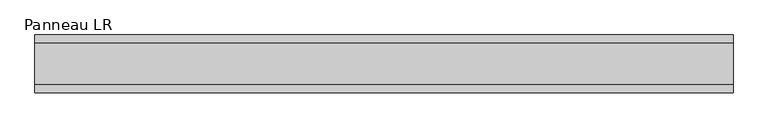
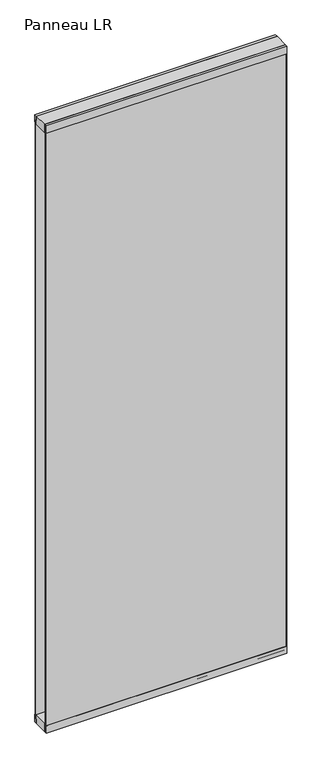
"""IFC4 building model written with IfcOpenShell, lengths in millimetres: plate geometry, Panneau LR."""

from ifc_helpers import new_model, si_unit, frame, origin, origin_with_axes, place, context, project, spatial, polyline, outline, extrude, source, transform, mapped, element, save


def panneau_lr_ae96b0b5(model_context):
    return source(origin(), model_context, "Body", "SweptSolid", [
        extrude(outline(polyline([(33.0, 2910.0), (45.0, 2910.0), (45.0, 2875.0), (43.8, 2875.0), (43.8, 2890.0), (33.0, 2890.0), (33.0, 2910.0)])), frame((-545.3124999, 0.0, 0.0), z_axis=(1.0, 0.0, 0.0), x_axis=(0.0, 1.0, 0.0)), (0.0, 0.0, 1.0), 1090.6249998),
        extrude(outline(polyline([(-45.0, 2875.0), (-45.0, 2910.0), (-33.0, 2910.0), (-33.0, 2890.0), (-43.8, 2890.0), (-43.8, 2875.0), (-45.0, 2875.0)])), frame((-545.3124999, 0.0, 0.0), z_axis=(1.0, 0.0, 0.0), x_axis=(0.0, 1.0, 0.0)), (0.0, 0.0, 1.0), 1090.6249998),
        extrude(outline(polyline([(545.3124999, 43.8), (545.3124999, 37.8), (543.3124999, 37.8), (543.3124999, 43.8), (545.3124999, 43.8)])), frame((0.0, 0.0, 20.0), z_axis=(0.0, 0.0, 1.0), x_axis=(1.0, 0.0, 0.0)), (0.0, 0.0, 1.0), 2870.0),
        extrude(outline(polyline([(545.3124999, -37.8), (545.3124999, -43.8), (543.3124999, -43.8), (543.3124999, -37.8), (545.3124999, -37.8)])), frame((0.0, 0.0, 20.0), z_axis=(0.0, 0.0, 1.0), x_axis=(1.0, 0.0, 0.0)), (0.0, 0.0, 1.0), 2870.0),
        extrude(outline(polyline([(33.0, 0.0), (33.0, 20.0), (43.8, 20.0), (43.8, 35.0), (45.0, 35.0), (45.0, 0.0), (33.0, 0.0)])), frame((-545.3124999, 0.0, 0.0), z_axis=(1.0, 0.0, 0.0), x_axis=(0.0, 1.0, 0.0)), (0.0, 0.0, 1.0), 1090.6249998),
        extrude(outline(polyline([(-45.0, 35.0), (-43.8, 35.0), (-43.8, 20.0), (-33.0, 20.0), (-33.0, 0.0), (-45.0, 0.0), (-45.0, 35.0)])), frame((-545.3124999, 0.0, 0.0), z_axis=(1.0, 0.0, 0.0), x_axis=(0.0, 1.0, 0.0)), (0.0, 0.0, 1.0), 1090.6249998),
        extrude(outline(polyline([(545.3124999, -33.0), (-545.3124999, -33.0), (-545.3124999, 33.0), (545.3124999, 33.0), (545.3124999, -33.0)])), frame((0.0, 0.0, 2870.0), z_axis=(0.0, 0.0, 1.0), x_axis=(1.0, 0.0, 0.0)), (0.0, 0.0, 1.0), 40.0),
        extrude(outline(polyline([(545.3124999, -33.0), (-545.3124999, -33.0), (-545.3124999, 33.0), (545.3124999, 33.0), (545.3124999, -33.0)])), origin_with_axes(), (0.0, 0.0, 1.0), 40.0),
        extrude(outline(polyline([(543.3124999, 37.8), (-545.3124999, 37.8), (-545.3124999, 43.8), (543.3124999, 43.8), (543.3124999, 37.8)])), frame((0.0, 0.0, 20.0), z_axis=(0.0, 0.0, 1.0), x_axis=(1.0, 0.0, 0.0)), (0.0, 0.0, 1.0), 2870.0),
        extrude(outline(polyline([(-545.3124999, -43.8), (-545.3124999, -37.8), (543.3124999, -37.8), (543.3124999, -43.8), (-545.3124999, -43.8)])), frame((0.0, 0.0, 20.0), z_axis=(0.0, 0.0, 1.0), x_axis=(1.0, 0.0, 0.0)), (0.0, 0.0, 1.0), 2870.0),
    ])


if __name__ == "__main__":
    model = new_model("IFC4")
    model_context = context("Model", 3, world=origin())
    ifc_project = project(units=[si_unit("LENGTHUNIT", "METRE", prefix="MILLI")], contexts=[model_context])
    site = spatial("IfcSite", under=ifc_project)
    building = spatial("IfcBuilding", under=site)
    placement = place(None, origin())
    panneau_lr_shape = panneau_lr_ae96b0b5(model_context)
    element("IfcPlate", 1, ObjectType="Panneau LR", at=placement, inside=building, context=model_context, shape_type="MappedRepresentation", body=[
        mapped(panneau_lr_shape, transform((0.0, 0.0, 0.0), x_axis=(1.0, 0.0, 0.0), y_axis=(0.0, 1.0, 0.0), z_axis=(0.0, 0.0, 1.0))),
    ])
    save(model, "model.ifc")
